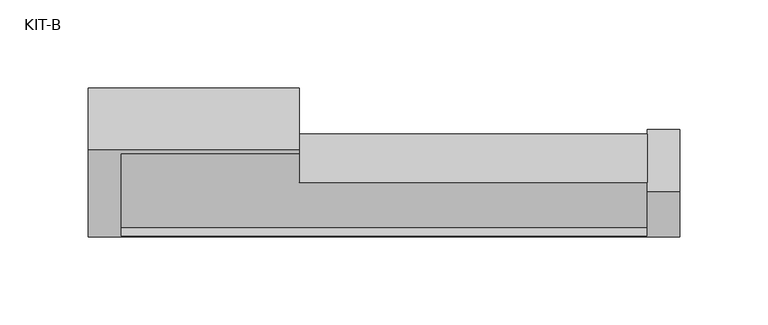
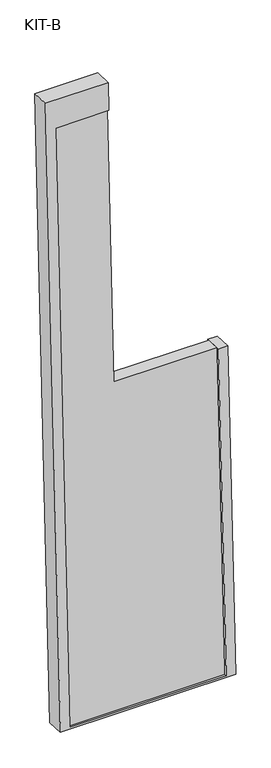
"""IFC4 building model written with IfcOpenShell, lengths in millimetres: plate geometry, KIT-B."""

from ifc_helpers import new_model, si_unit, frame, origin, place, context, project, spatial, polyline, outline, extrude, source, transform, mapped, element, save


def kit_b_7469e050(model_context):
    return source(origin(), model_context, "Body", "SweptSolid", [
        extrude(outline(polyline([(-1186.531593, -299.0), (-1186.531593, 0.0), (0.0, 0.0), (0.0, -101.5), (-540.0, -101.5), (-540.0, -299.0), (-1186.531593, -299.0)])), frame((-149.5, 5.6533873, 1135.0792992), z_axis=(0.0, -0.9992101801000246, 0.039736834102334216), x_axis=(0.0, 0.039736834102334216, 0.9992101801000246)), (0.0, 0.0, 1.0), 27.4505712),
        extrude(outline(polyline([(-1245.0000001, -336.0), (-1245.0000001, 0.0), (0.0, 0.0), (0.0, -120.0), (-55.0, -120.0), (-55.0, -18.5), (-1241.531593, -18.5), (-1241.531593, -317.5), (-595.0, -317.5), (-595.0, -336.0), (-1245.0000001, -336.0)])), frame((-168.0, 10.3863283, 1189.9345529), z_axis=(0.0, -0.9992101801000247, 0.03973683410233422), x_axis=(0.0, 0.03973683410233422, 0.9992101801000247)), (0.0, 0.0, 1.0), 35.0),
    ])


if __name__ == "__main__":
    model = new_model("IFC4")
    model_context = context("Model", 3, world=origin())
    ifc_project = project(units=[si_unit("LENGTHUNIT", "METRE", prefix="MILLI")], contexts=[model_context])
    site = spatial("IfcSite", under=ifc_project)
    building = spatial("IfcBuilding", under=site)
    placement = place(None, origin())
    kit_b_shape = kit_b_7469e050(model_context)
    element("IfcPlate", 1, ObjectType="KIT-B", at=placement, inside=building, context=model_context, shape_type="MappedRepresentation", body=[
        mapped(kit_b_shape, transform((0.0, 0.0, 0.0), x_axis=(1.0, 0.0, 0.0), y_axis=(0.0, 1.0, 0.0), z_axis=(0.0, 0.0, 1.0))),
    ])
    save(model, "model.ifc")
